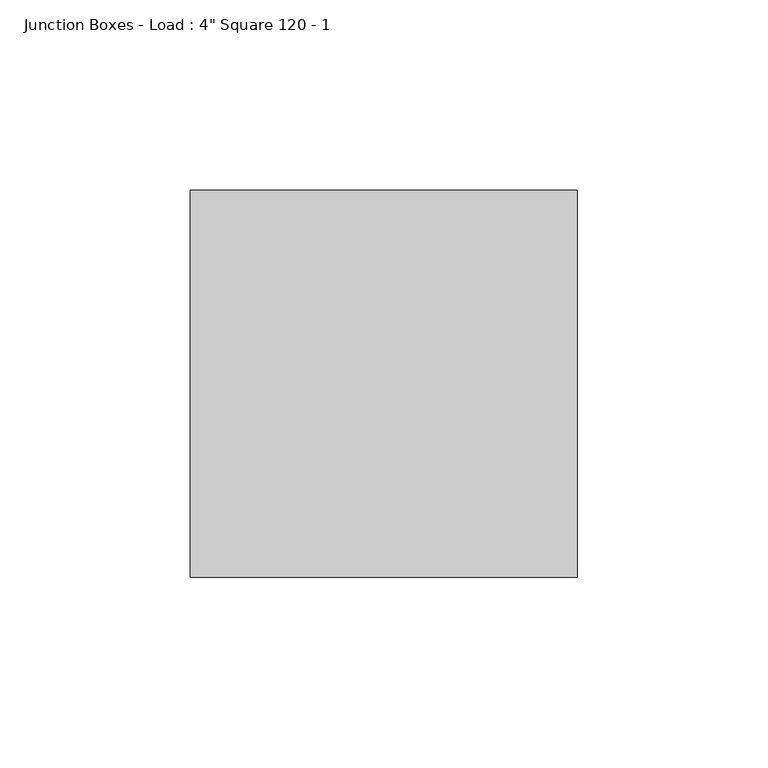
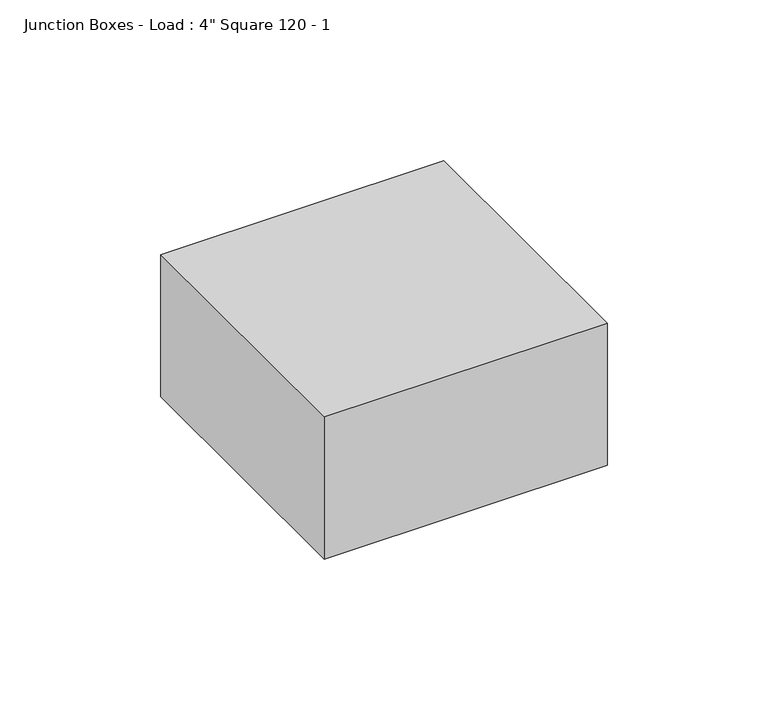
"""IFC4 building model written with IfcOpenShell, lengths in millimetres: proxy geometry."""

from ifc_helpers import new_model, si_unit, origin, origin_with_axes, place, context, project, spatial, polyline, outline, extrude, source, transform, mapped, element, save


def proxy_222d7609(model_context):
    return source(origin(), model_context, "Body", "SweptSolid", [
        extrude(outline(polyline([(50.8, 50.8), (50.8, -50.8), (-50.8, -50.8), (-50.8, 50.8), (50.8, 50.8)])), origin_with_axes(), (0.0, 0.0, 1.0), 53.975),
    ])


if __name__ == "__main__":
    model = new_model("IFC4")
    model_context = context("Model", 3, world=origin())
    ifc_project = project(units=[si_unit("LENGTHUNIT", "METRE", prefix="MILLI")], contexts=[model_context])
    site = spatial("IfcSite", under=ifc_project)
    building = spatial("IfcBuilding", under=site)
    placement = place(None, origin())
    proxy_shape = proxy_222d7609(model_context)
    element("IfcBuildingElementProxy", 1, Name="Junction Boxes - Load : 4\" Square 120 - 1", ObjectType="Junction Boxes - Load : 4\" Square 120 - 1", at=placement, inside=building, context=model_context, shape_type="MappedRepresentation", body=[
        mapped(proxy_shape, transform((0.0, 0.0, 0.0), x_axis=(1.0, 0.0, 0.0), y_axis=(0.0, 1.0, 0.0), z_axis=(0.0, 0.0, 1.0))),
    ])
    save(model, "model.ifc")
